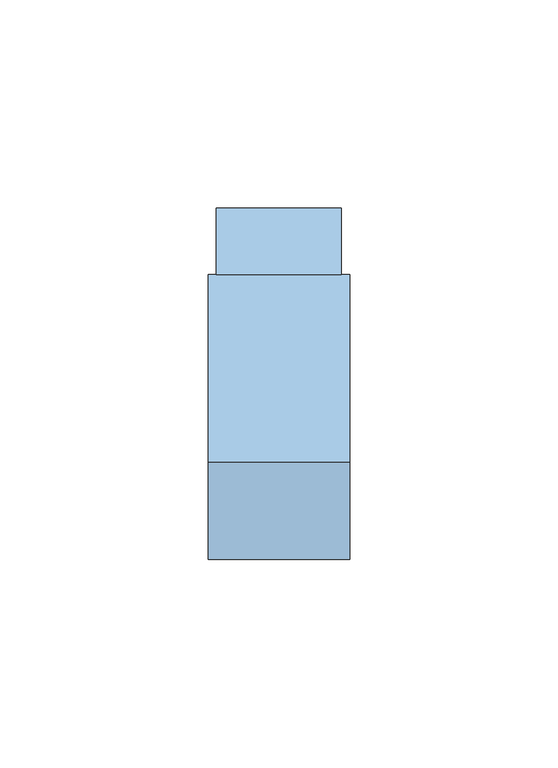
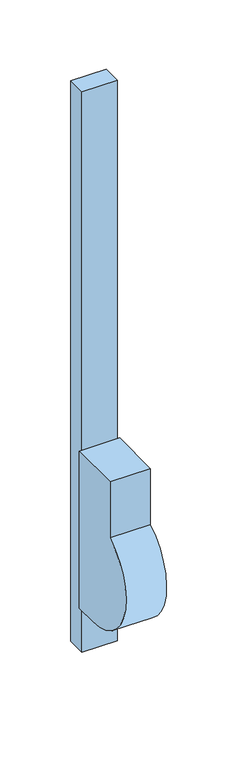
"""IFC4 building model written with IfcOpenShell, lengths in millimetres: window geometry."""

from ifc_helpers import new_model, si_unit, point, frame, frame_2d, origin, origin_with_axes, place, context, project, spatial, polyline, circle_curve, trimmed, segment, composite_curve, outline, extrude, source, transform, mapped, element, save


def window_8a6bef26(model_context):
    return source(origin(), model_context, "Body", "SweptSolid", [
        extrude(outline(composite_curve([segment(trimmed(circle_curve(frame_2d((-28.0, 88.4722222)), 48.4722222), [point((-28.0, 40.0))], [point((-53.0, 130.0))], False, "CARTESIAN"), True, "CONTINUOUS"), segment(polyline([(-53.0, 130.0), (-53.0, 180.0), (-8.0, 180.0), (-8.0, 40.0), (-28.0, 40.0)]), True, "CONTINUOUS")], self_intersect=False)), frame((-17.0, 0.0, 0.0), z_axis=(1.0, 0.0, 0.0), x_axis=(0.0, 1.0, 0.0)), (0.0, 0.0, 1.0), 34.0),
        extrude(outline(polyline([(15.0, -8.0), (-15.0, -8.0), (-15.0, 8.0), (15.0, 8.0), (15.0, -8.0)])), origin_with_axes(), (0.0, 0.0, 1.0), 500.0),
    ])


if __name__ == "__main__":
    model = new_model("IFC4")
    model_context = context("Model", 3, world=origin())
    ifc_project = project(units=[si_unit("LENGTHUNIT", "METRE", prefix="MILLI")], contexts=[model_context])
    site = spatial("IfcSite", under=ifc_project)
    building = spatial("IfcBuilding", under=site)
    placement = place(None, origin())
    window_shape = window_8a6bef26(model_context)
    element("IfcWindow", 1, at=placement, inside=building, context=model_context, shape_type="MappedRepresentation", body=[
        mapped(window_shape, transform((0.0, 0.0, 0.0), x_axis=(1.0, 0.0, 0.0), y_axis=(0.0, 1.0, 0.0), z_axis=(0.0, 0.0, 1.0))),
    ])
    save(model, "model.ifc")
